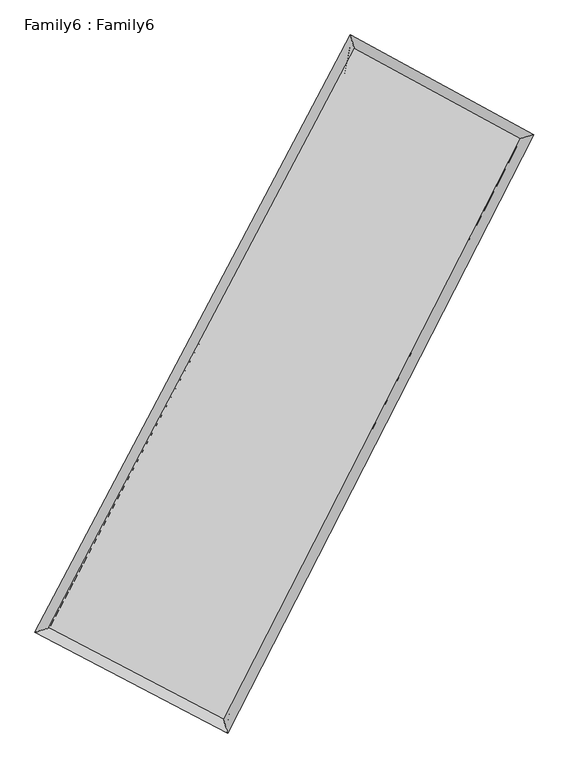
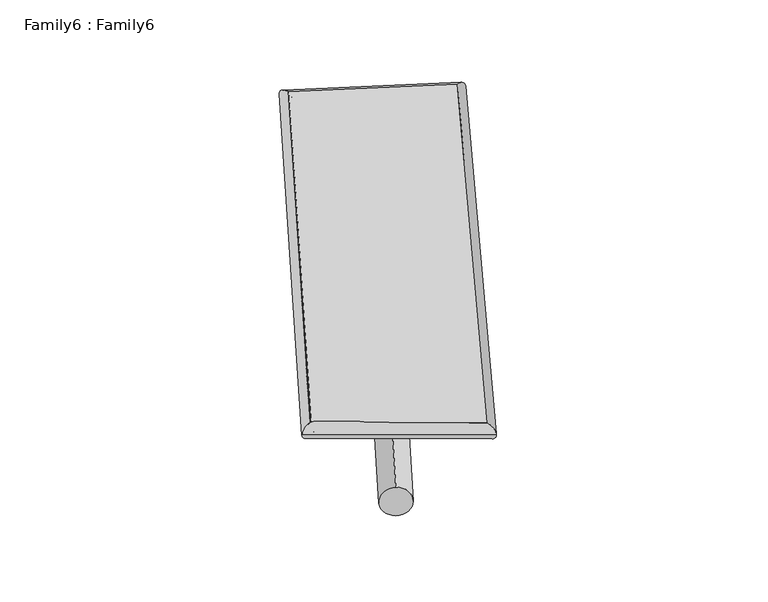
"""IFC4 building model written with IfcOpenShell, lengths in millimetres: plate geometry, Family6 : Family6."""

from ifc_helpers import new_model, si_unit, point, frame, origin, origin_2d, place, context, project, spatial, circle_curve, ellipse_curve, trimmed, segment, composite_curve, outline, extrude, source, transform, mapped, element, save
from ifc_brep_helpers import plane_surface, cylinder_surface, spline_surface, advanced_brep


def family6_family6_48653832(model_context):
    return source(origin(), model_context, "Body", "SolidModel", [
        extrude(outline(composite_curve([segment(trimmed(circle_curve(origin_2d(), 76.2), [point((-75.4341514, -10.7763073))], [point((75.4341514, 10.7763073))], False, "CARTESIAN"), True, "CONTINUOUS"), segment(trimmed(circle_curve(origin_2d(), 76.2), [point((75.4341514, 10.7763073))], [point((-75.4341514, -10.7763073))], False, "CARTESIAN"), True, "CONTINUOUS")], self_intersect=False)), frame((9144.0, 9144.0, 0.0), z_axis=(0.6619246255140703, 0.6939639669493131, 0.28331925934187835), x_axis=(-0.6865107304861231, 0.7130107245016402, -0.14254376055463078)), (0.0, 0.0, 1.0), 5555.0142404),
        extrude(outline(composite_curve([segment(trimmed(circle_curve(origin_2d(), 76.2), [point((-53.8815367, 53.8815367))], [point((53.8815367, -53.8815367))], False, "CARTESIAN"), True, "CONTINUOUS"), segment(trimmed(circle_curve(origin_2d(), 76.2), [point((53.8815367, -53.8815367))], [point((-53.8815367, 53.8815367))], False, "CARTESIAN"), True, "CONTINUOUS")], self_intersect=False)), frame((9144.0, 9144.0, 0.0), z_axis=(-0.6705974069699834, -0.6865811342276045, 0.2809011639133432), x_axis=(0.6459647583579156, -0.3542826824151096, 0.6761755037712877)), (0.0, 0.0, 1.0), 5596.7296942),
        extrude(outline(composite_curve([segment(trimmed(circle_curve(origin_2d(), 76.2), [point((-53.8815368, -53.8815367))], [point((53.8815368, 53.8815367))], False, "CARTESIAN"), True, "CONTINUOUS"), segment(trimmed(circle_curve(origin_2d(), 76.2), [point((53.8815368, 53.8815367))], [point((-53.8815368, -53.8815367))], False, "CARTESIAN"), True, "CONTINUOUS")], self_intersect=False)), frame((9144.0, 9144.0, 0.0), z_axis=(0.19039596233058337, 0.945628412937086, 0.2636973306165597), x_axis=(-0.85160335970901, 0.292723481658068, -0.4348386839027841)), (0.0, 0.0, 1.0), 5579.8028503),
        extrude(outline(composite_curve([segment(trimmed(circle_curve(origin_2d(), 76.2), [point((-75.4341514, 10.7763074))], [point((75.4341514, -10.7763074))], False, "CARTESIAN"), True, "CONTINUOUS"), segment(trimmed(circle_curve(origin_2d(), 76.2), [point((75.4341514, -10.7763074))], [point((-75.4341514, 10.7763074))], False, "CARTESIAN"), True, "CONTINUOUS")], self_intersect=False)), frame((9144.0, 9144.0, 0.0), z_axis=(-0.1783467388629596, -0.9478359363662885, 0.2641959092597551), x_axis=(0.9041844824534144, -0.05195743614055352, 0.42397033683991575)), (0.0, 0.0, 1.0), 5576.0821915),
        advanced_brep(
        [(5185.0006253, 5237.5184134, 1565.8027764), (5184.763862, 5237.2128824, 1580.0085989), (5596.6945338, 5365.2635438, 1578.452994), (10268.9525651, 14212.9930919, 1480.7015952), (10143.7913015, 14627.8471356, 1462.0566387), (5596.9312972, 5365.5690748, 1564.2471715), (12617.7095997, 12936.0936165, 1572.7458809), (13024.291842, 13061.8658209, 1574.9391595), (8083.8153, 4065.0961141, 1475.0461942), (8215.232551, 3652.4817154, 1471.3100152)],
        [
            (0, 1, ellipse_curve(frame((5390.8475796, 5301.3909786, 1572.1278852), z_axis=(-0.2967536971490001, 0.9548267880180903, 0.015590000367431096), x_axis=(-0.9543968915441948, -0.2970986229759868, 0.02930838850143245)), 215.9950468, 152.4)),
            (1, 2, ellipse_curve(frame((5390.8475796, 5301.3909786, 1572.1278852), z_axis=(-0.2967536971490001, 0.9548267880180903, 0.015590000367431096), x_axis=(-0.9543968915441948, -0.2970986229759868, 0.02930838850143245)), 215.9950468, 152.4)),
            (2, 3),
            (3, 4, ellipse_curve(frame((10206.3719333, 14420.4201138, 1471.379117), z_axis=(-0.9570119830001483, -0.2895180146411763, -0.017532358436779808), x_axis=(0.2889018141182227, -0.9568551924661978, 0.031046456314299323)), 216.8780763, 152.4)),
            (4, 0),
            (2, 5, ellipse_curve(frame((5390.8475796, 5301.3909786, 1572.1278852), z_axis=(-0.2967536971490001, 0.9548267880180903, 0.015590000367431096), x_axis=(-0.9543968915441948, -0.2970986229759868, 0.02930838850143245)), 215.9950468, 152.4)),
            (5, 0, ellipse_curve(frame((5390.8475796, 5301.3909786, 1572.1278852), z_axis=(-0.2967536971490001, 0.9548267880180903, 0.015590000367431096), x_axis=(-0.9543968915441948, -0.2970986229759868, 0.02930838850143245)), 215.9950468, 152.4)),
            (4, 3, ellipse_curve(frame((10206.3719333, 14420.4201138, 1471.379117), z_axis=(-0.9570119830001483, -0.2895180146411763, -0.017532358436779808), x_axis=(0.2889018141182227, -0.9568551924661978, 0.031046456314299323)), 216.8780763, 152.4)),
            (3, 6),
            (6, 7, ellipse_curve(frame((12821.0007208, 12998.9797187, 1573.8425202), z_axis=(-0.295395368511143, 0.9552205723492643, -0.01718238699686437), x_axis=(-0.9547216178924405, -0.2958106601317126, -0.03166521247806654)), 212.8695071, 152.4)),
            (7, 4),
            (7, 6, ellipse_curve(frame((12821.0007208, 12998.9797187, 1573.8425202), z_axis=(-0.295395368511143, 0.9552205723492643, -0.01718238699686437), x_axis=(-0.9547216178924405, -0.2958106601317126, -0.03166521247806654)), 212.8695071, 152.4)),
            (6, 8),
            (8, 9, ellipse_curve(frame((8149.5239255, 3858.7889147, 1473.1781047), z_axis=(0.9526815362521963, 0.30356936989947386, -0.015605388267887882), x_axis=(-0.3030412659177772, 0.952528215694022, 0.029257297512136866)), 216.5736037, 152.4)),
            (9, 7),
            (9, 8, ellipse_curve(frame((8149.5239255, 3858.7889147, 1473.1781047), z_axis=(0.9526815362521963, 0.30356936989947386, -0.015605388267887882), x_axis=(-0.3030412659177772, 0.952528215694022, 0.029257297512136866)), 216.5736037, 152.4)),
            (8, 5),
            (1, 9),
        ],
        [
            cylinder_surface(frame((5390.8475796, 5301.3909786, 1572.1278852), z_axis=(-0.4669413623024987, -0.8842343168635907, 0.009769188905222867), x_axis=(-0.8833468689705275, 0.465906159702628, -0.05128118008699752)), 152.4),
            cylinder_surface(frame((10206.3719333, 14420.4201138, 1471.379117), z_axis=(-0.878041299612937, 0.4773462977775213, -0.034409129197330995), x_axis=(0.4782599071495825, 0.8778233535798188, -0.026336687778710257)), 152.4),
            cylinder_surface(frame((12821.0007208, 12998.9797187, 1573.8425202), z_axis=(0.45507556088895296, 0.8903988265432501, 0.009806302667584761), x_axis=(0.8904496960056397, -0.45507556088895296, -0.0023606704701875786)), 152.4),
            cylinder_surface(frame((8149.5239255, 3858.7889147, 1473.1781047), z_axis=(0.885703404441911, -0.4631632707024665, -0.03176891613201348), x_axis=(-0.46274834622311284, -0.886268421668653, 0.019805373531672138)), 152.4),
        ],
        [
            (0, [[1, 2, 3, 4, 5]]),
            (0, [[6, 7, -5, 8, -3]]),
            (1, [[-4, 9, 10, 11]]),
            (1, [[-8, -11, 12, -9]]),
            (2, [[-10, 13, 14, 15]]),
            (2, [[-12, -15, 16, -13]]),
            (3, [[-14, 17, -6, -2, 18]]),
            (3, [[-16, -18, -1, -7, -17]]),
        ],
    ),
        extrude(outline(composite_curve([segment(trimmed(circle_curve(origin_2d(), 304.8), [point((1e-07, -304.8000001))], [point((1e-07, 304.8))], False, "CARTESIAN"), True, "CONTINUOUS"), segment(trimmed(circle_curve(origin_2d(), 304.8), [point((1e-07, 304.8))], [point((1e-07, -304.8000001))], False, "CARTESIAN"), True, "CONTINUOUS")], self_intersect=False)), frame((6718.6454528, 4585.8265442, -0.1209989), z_axis=(0.46973286339007636, 0.8828086069484031, 2.343458583298438e-05), x_axis=(-0.8828086072400843, 0.46973286339007636, 5.846582103493612e-06)), (0.0, 0.0, 1.0), 10326.5269955),
        advanced_brep(
        [(5390.8475796, 5301.3909786, 1572.1278852), (8149.5239255, 3858.7889147, 1473.1781047), (8149.5489523, 3858.7806256, 1625.5781024), (5390.8726063, 5301.3826894, 1724.5278829), (12821.0007208, 12998.9797187, 1573.8425202), (12821.0257476, 12998.9714296, 1726.2425179), (10206.3719333, 14420.4201138, 1471.379117), (10206.39696, 14420.4118246, 1623.7791147)],
        [
            (0, 1),
            (1, 2),
            (2, 3),
            (3, 0),
            (1, 4),
            (4, 5),
            (5, 2),
            (4, 6),
            (6, 7),
            (7, 5),
            (6, 0),
            (3, 7),
        ],
        [
            plane_surface(frame((6770.1857525, 4580.0899467, 1522.652995), z_axis=(-0.4633963887820263, -0.886151107929905, 2.7899444130981624e-05), x_axis=(0.885703404441911, -0.463163270702466, -0.031768916132013506))),
            plane_surface(frame((10485.2623232, 8428.8843167, 1523.5103125), z_axis=(0.8904423916668504, -0.4550959436083092, -0.00017097918731469406), x_axis=(0.4550755608889526, 0.8903988265432503, 0.00980630266758474))),
            plane_surface(frame((11513.6863271, 13709.6999163, 1522.6108186), z_axis=(0.47763006202570585, 0.8785610524658587, -3.064969042639552e-05), x_axis=(-0.8780412996129369, 0.4773462977775217, -0.034409129197331))),
            plane_surface(frame((7798.6097564, 9860.9055462, 1521.7535011), z_axis=(-0.884275723026072, 0.46696511278492103, 0.00017061208446908418), x_axis=(-0.466941362302499, -0.8842343168635903, 0.009769188905222862))),
            spline_surface(1, 1, [[(8149.5489523, 3858.7806256, 1625.5781024), (5390.8726063, 5301.3826894, 1724.5278829)], [(12821.0257476, 12998.9714296, 1726.2425179), (10206.39696, 14420.4118246, 1623.7791147)]], [2, 2], [2, 2], [0.0, 1.0], [0.0, 1.0]),
            spline_surface(1, 1, [[(10206.3719333, 14420.4201138, 1471.379117), (5390.8475796, 5301.3909786, 1572.1278852)], [(12821.0007208, 12998.9797187, 1573.8425202), (8149.5239255, 3858.7889147, 1473.1781047)]], [2, 2], [2, 2], [0.0, 1.0], [0.0, 1.0]),
        ],
        [
            (0, [[1, 2, 3, 4]]),
            (1, [[5, 6, 7, -2]]),
            (2, [[8, 9, 10, -6]]),
            (3, [[11, -4, 12, -9]]),
            (4, [[-3, -7, -10, -12]]),
            (5, [[-11, -8, -5, -1]]),
        ],
    ),
    ])


if __name__ == "__main__":
    model = new_model("IFC4")
    model_context = context("Model", 3, world=origin())
    ifc_project = project(units=[si_unit("LENGTHUNIT", "METRE", prefix="MILLI")], contexts=[model_context])
    site = spatial("IfcSite", under=ifc_project)
    building = spatial("IfcBuilding", under=site)
    placement = place(None, origin())
    family6_family6_shape = family6_family6_48653832(model_context)
    element("IfcPlate", 1, ObjectType="Family6 : Family6", at=placement, inside=building, context=model_context, shape_type="MappedRepresentation", body=[
        mapped(family6_family6_shape, transform((0.0, 0.0, 0.0), x_axis=(1.0, 0.0, 0.0), y_axis=(0.0, 1.0, 0.0), z_axis=(0.0, 0.0, 1.0))),
    ])
    save(model, "model.ifc")
